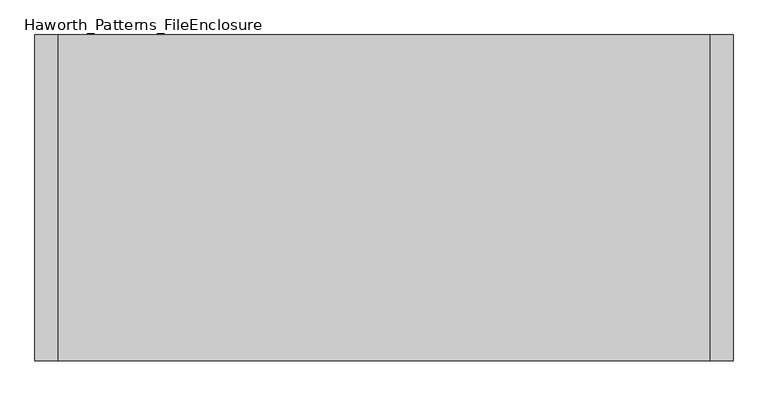
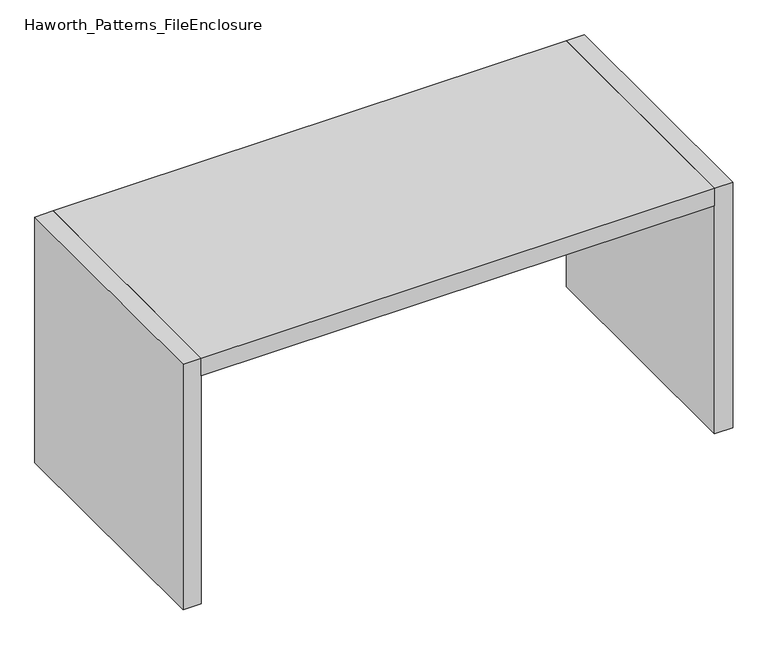
"""IFC4 building model written with IfcOpenShell, lengths in millimetres: furniture geometry, Haworth_Patterns_FileEnclosure."""

from ifc_helpers import new_model, si_unit, frame, origin, origin_with_axes, place, context, project, spatial, polyline, outline, extrude, source, transform, mapped, element, save


def haworth_patterns_fileenclosure_72b6568d(model_context):
    return source(origin(), model_context, "Body", "SweptSolid", [
        extrude(outline(polyline([(1066.8, 0.0), (1066.8, -1066.8), (-1066.8, -1066.8), (-1066.8, 0.0), (1066.8, 0.0)])), frame((0.0, 0.0, 1003.3), z_axis=(0.0, 0.0, 1.0), x_axis=(1.0, 0.0, 0.0)), (0.0, 0.0, 1.0), 76.2),
        extrude(outline(polyline([(1066.8, 0.0), (1143.0, 0.0), (1143.0, -1066.8), (1066.8, -1066.8), (1066.8, 0.0)])), origin_with_axes(), (0.0, 0.0, 1.0), 1079.5),
        extrude(outline(polyline([(-1066.8, 0.0), (-1066.8, -1066.8), (-1143.0, -1066.8), (-1143.0, 0.0), (-1066.8, 0.0)])), origin_with_axes(), (0.0, 0.0, 1.0), 1079.5),
    ])


if __name__ == "__main__":
    model = new_model("IFC4")
    model_context = context("Model", 3, world=origin())
    ifc_project = project(units=[si_unit("LENGTHUNIT", "METRE", prefix="MILLI")], contexts=[model_context])
    site = spatial("IfcSite", under=ifc_project)
    building = spatial("IfcBuilding", under=site)
    placement = place(None, origin())
    haworth_patterns_fileenclosure_shape = haworth_patterns_fileenclosure_72b6568d(model_context)
    element("IfcFurniture", 1, ObjectType="Haworth_Patterns_FileEnclosure", at=placement, inside=building, context=model_context, shape_type="MappedRepresentation", body=[
        mapped(haworth_patterns_fileenclosure_shape, transform((0.0, 0.0, 0.0), x_axis=(1.0, 0.0, 0.0), y_axis=(0.0, 1.0, 0.0), z_axis=(0.0, 0.0, 1.0))),
    ])
    save(model, "model.ifc")
